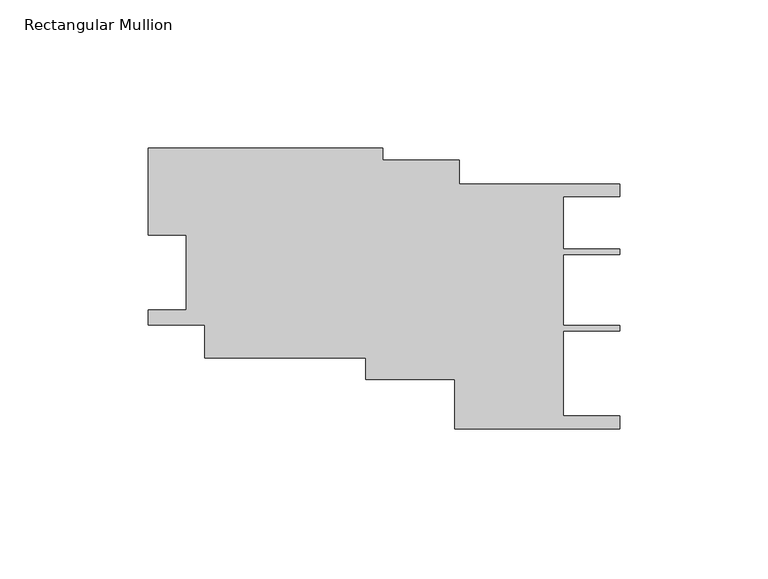
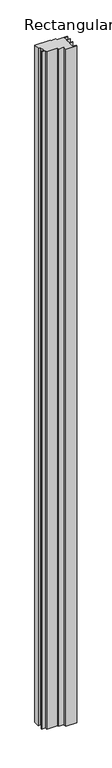
"""IFC4 building model written with IfcOpenShell, lengths in millimetres: member geometry, Rectangular Mullion."""

from ifc_helpers import new_model, si_unit, frame, origin, place, context, project, spatial, polyline, outline, extrude, source, transform, mapped, element, save


def rectangular_mullion_241ed8cc(model_context):
    return source(origin(), model_context, "Body", "SweptSolid", [
        extrude(outline(polyline([(-146.0658829, 17.6881308), (-158.7659591, 17.6881308), (-158.7569436, 47.000329), (-79.8621898, 47.000329), (-79.8621898, 42.9812382), (-53.9848115, 42.9812382), (-53.9848115, 34.9809255), (0.0, 34.9809255), (0.0, 30.6627502), (-19.0507734, 30.6627502), (-19.0507734, 12.9552238), (-0.0076677, 12.9552238), (-0.0076677, 11.1771516), (-19.0156615, 11.1771516), (-19.0156615, -12.8267691), (-0.0076677, -12.8267691), (-0.0076677, -14.6048413), (-19.0507734, -14.6048413), (-19.0507734, -43.254169), (0.0, -43.254169), (0.0, -47.5723443), (-55.5647582, -47.5723443), (-55.5647582, -30.936607), (-85.4982927, -30.936607), (-85.4982927, -23.6965259), (-139.7166411, -23.6965259), (-139.7166411, -12.6724784), (-158.7674145, -12.6724784), (-158.7674145, -7.465267), (-146.0658829, -7.465267), (-146.0658829, 17.6881308)])), frame((0.0, 0.0, -3657.6), z_axis=(0.0, 0.0, 1.0), x_axis=(1.0, 0.0, 0.0)), (0.0, 0.0, 1.0), 3657.6),
    ])


if __name__ == "__main__":
    model = new_model("IFC4")
    model_context = context("Model", 3, world=origin())
    ifc_project = project(units=[si_unit("LENGTHUNIT", "METRE", prefix="MILLI")], contexts=[model_context])
    site = spatial("IfcSite", under=ifc_project)
    building = spatial("IfcBuilding", under=site)
    placement = place(None, origin())
    rectangular_mullion_shape = rectangular_mullion_241ed8cc(model_context)
    element("IfcMember", 1, ObjectType="Rectangular Mullion", at=placement, inside=building, context=model_context, shape_type="MappedRepresentation", body=[
        mapped(rectangular_mullion_shape, transform((0.0, 0.0, 0.0), x_axis=(1.0, 0.0, 0.0), y_axis=(0.0, 1.0, 0.0), z_axis=(0.0, 0.0, 1.0))),
    ])
    save(model, "model.ifc")
